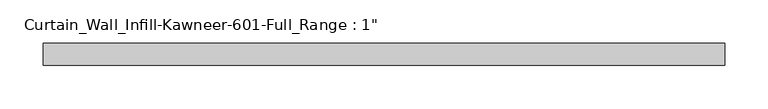
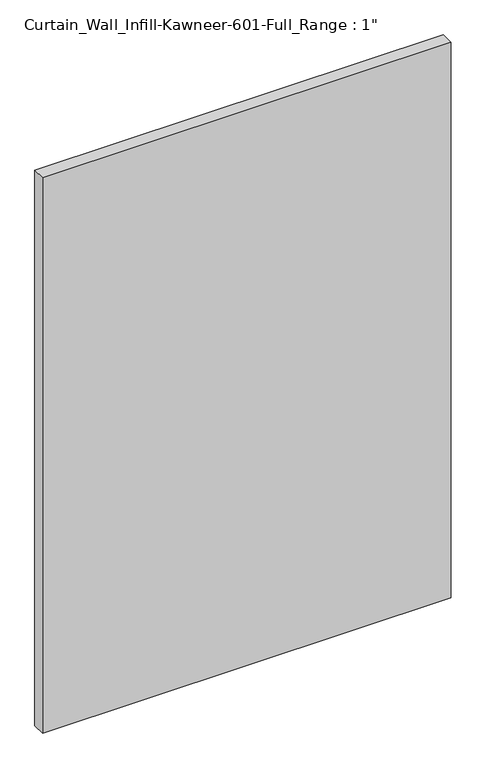
"""IFC4 building model written with IfcOpenShell, lengths in millimetres: plate geometry."""

from ifc_helpers import new_model, si_unit, origin, origin_with_axes, place, context, project, spatial, polyline, outline, extrude, source, transform, mapped, element, save


def plate_43a0976b(model_context):
    return source(origin(), model_context, "Body", "SweptSolid", [
        extrude(outline(polyline([(-393.7, 12.7), (393.7, 12.7), (393.7, -12.7), (-393.7, -12.7), (-393.7, 12.7)])), origin_with_axes(), (0.0, 0.0, 1.0), 1130.3),
    ])


if __name__ == "__main__":
    model = new_model("IFC4")
    model_context = context("Model", 3, world=origin())
    ifc_project = project(units=[si_unit("LENGTHUNIT", "METRE", prefix="MILLI")], contexts=[model_context])
    site = spatial("IfcSite", under=ifc_project)
    building = spatial("IfcBuilding", under=site)
    placement = place(None, origin())
    plate_shape = plate_43a0976b(model_context)
    element("IfcPlate", 1, ObjectType="Curtain_Wall_Infill-Kawneer-601-Full_Range : 1\"", at=placement, inside=building, context=model_context, shape_type="MappedRepresentation", body=[
        mapped(plate_shape, transform((0.0, 0.0, 0.0), x_axis=(1.0, 0.0, 0.0), y_axis=(0.0, 1.0, 0.0), z_axis=(0.0, 0.0, 1.0))),
    ])
    save(model, "model.ifc")
